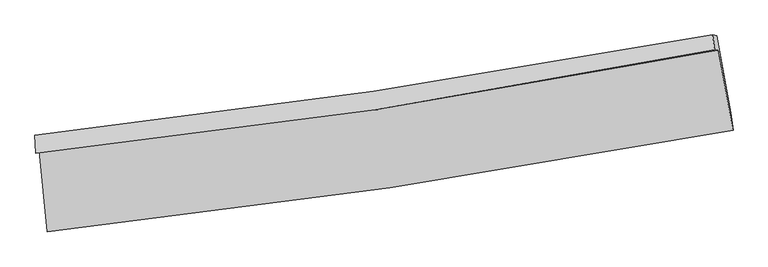
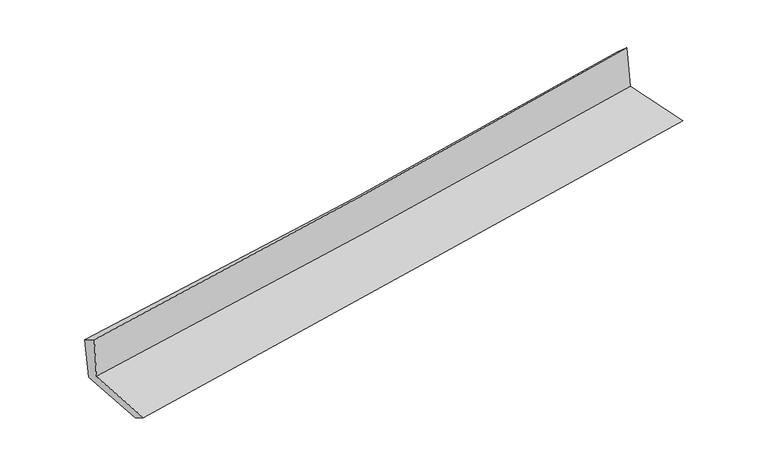
"""IFC4 building model written with IfcOpenShell, lengths in millimetres: proxy geometry."""

from ifc_helpers import new_model, si_unit, frame, origin, place, context, project, spatial, source, transform, mapped, element, save
from ifc_brep_helpers import plane_surface, spline_curve, spline_surface, advanced_brep


def generic_models_60ab2520(model_context):
    return source(origin(), model_context, "Body", "AdvancedBrep", [
        advanced_brep(
        [(-2840.4416928, -1891.3927807, 1634.5334448), (-2773.609349, -2561.1244569, 1597.5117106), (2916.3132555, -1719.4814165, 2122.248804), (2794.4726534, -1053.7975171, 2112.6780662), (-2869.7512124, -1909.1021098, 2030.9928528), (2762.1543839, -1052.8132689, 2519.2145777), (-2877.0304321, -1760.9571042, 1943.2122216), (2748.0944799, -928.4100352, 2407.2472464), (-2845.2979351, -1776.43845, 1556.2888708), (2778.7463741, -933.4492799, 2031.2376285), (-2779.7413712, -2433.3854453, 1519.9738539), (2897.6368553, -1573.1954788, 2017.6997314)],
        [
            (0, 1),
            (1, 2, spline_curve(3, [(-2773.609349, -2561.1244569, 1597.5117106), (-1825.236983511, -2457.836344717, 1719.022092733), (-877.918444089, -2336.247593926, 1823.447571182), (1018.731622324, -2055.859645803, 1998.509056488), (1968.053950841, -1896.900716788, 2068.995942866), (2916.3132555, -1719.4814165, 2122.248804)], [4, 2, 4], [0.0, 9.409074413895633, 18.859121928401212])),
            (2, 3),
            (3, 0, spline_curve(3, [(2794.4726534, -1053.7975171, 2112.6780662), (1857.287762087, -1232.109066304, 2053.334800329), (918.094571738, -1391.17436822, 1983.708923152), (-960.227587692, -1670.206257467, 1824.238410359), (-1899.339179343, -1790.339376381, 1734.482746927), (-2840.4416928, -1891.3927807, 1634.5334448)], [4, 2, 4], [0.0, 9.45004751450558, 18.859121928401212])),
            (4, 0),
            (3, 5),
            (5, 4, spline_curve(3, [(2762.1543839, -1052.8132689, 2519.2145777), (1826.380013316, -1240.729674352, 2461.526709543), (888.142370499, -1406.151545597, 2391.883321961), (-989.180808825, -1691.386520341, 2229.039298997), (-1928.245031642, -1811.394263073, 2135.942111957), (-2869.7512124, -1909.1021098, 2030.9928528)], [4, 2, 4], [0.0, 9.40236897560447, 18.763971573112116])),
            (6, 4),
            (5, 7),
            (7, 6, spline_curve(3, [(2748.0944799, -928.4100352, 2407.2472464), (1813.122101636, -1099.928604366, 2333.081475722), (875.852099255, -1255.182282619, 2257.241361997), (-999.209419039, -1532.557236905, 2102.548532976), (-1936.981053493, -1654.819248104, 2023.710304989), (-2877.0304321, -1760.9571042, 1943.2122216)], [4, 2, 4], [0.0, 9.392025606851112, 18.74332968192897])),
            (8, 6),
            (7, 9),
            (9, 8, spline_curve(3, [(2778.7463741, -933.4492799, 2031.2376285), (1845.114597386, -1110.253798637, 1948.53704043), (908.603881289, -1269.018670109, 1867.525355487), (-966.102465913, -1549.858968449, 1709.223716343), (-1904.273185997, -1672.09048697, 1631.919148632), (-2845.2979351, -1776.43845, 1556.2888708)], [4, 2, 4], [0.0, 9.382348975435459, 18.724018374610793])),
            (10, 8),
            (9, 11),
            (11, 10, spline_curve(3, [(2897.6368553, -1573.1954788, 2017.6997314), (1952.867611553, -1746.690893669, 1943.983617277), (1006.336434286, -1905.244442974, 1865.548059559), (-886.138220101, -2191.845144003, 1699.598597838), (-1832.066451458, -2320.021583769, 1612.125529628), (-2779.7413712, -2433.3854453, 1519.9738539)], [4, 2, 4], [0.0, 9.430210527736175, 18.81953396319765])),
            (1, 10),
            (11, 2),
        ],
        [
            spline_surface(3, 3, [[(-2840.4416928, -1891.3927807, 1634.5334448), (-1899.339179229, -1790.339376374, 1734.482746932), (-960.227587625, -1670.20625732, 1824.238410277), (918.094571671, -1391.174368367, 1983.708923234), (1857.28776215, -1232.109066242, 2053.334800349), (2794.4726534, -1053.7975171, 2112.6780662)], [(-2818.164244862, -2114.636672769, 1622.192866713), (-1874.638447309, -2012.838365872, 1729.329195522), (-932.791206388, -1892.220036141, 1823.974797193), (951.640255208, -1612.736127567, 1988.642301021), (1894.209825071, -1453.706283151, 2058.555181151), (2835.086187436, -1275.692150263, 2115.868312136)], [(-2795.886796938, -2337.880564831, 1609.852288687), (-1849.937715404, -2235.337355364, 1724.175644172), (-905.354825218, -2114.233814952, 1823.711184134), (985.185938679, -1834.297886757, 1993.575678833), (1931.131887982, -1675.30349997, 2063.775561944), (2875.699721464, -1497.586783337, 2119.058558064)], [(-2773.609349, -2561.1244569, 1597.5117106), (-1825.236983484, -2457.836344862, 1719.022092762), (-877.918443982, -2336.247593772, 1823.44757105), (1018.731622217, -2055.859645958, 1998.50905662), (1968.053950902, -1896.900716879, 2068.995942746), (2916.3132555, -1719.4814165, 2122.248804)]], [4, 4], [4, 2, 4], [0.0, 2.2036124032601587], [0.0, 9.409074413895633, 18.859121928401212]),
            spline_surface(3, 3, [[(-2869.7512124, -1909.1021098, 2030.9928528), (-1928.245031685, -1811.394262988, 2135.942112076), (-989.180808866, -1691.386520396, 2229.039299151), (888.14237054, -1406.151545542, 2391.883321806), (1826.380013181, -1240.729674459, 2461.526709693), (2762.1543839, -1052.8132689, 2519.2145777)], [(-2859.981372543, -1903.199000102, 1898.839716814), (-1918.609747542, -1804.375967453, 2002.122323708), (-979.52973512, -1684.326432704, 2094.105669556), (898.126437582, -1401.15915315, 2255.825188978), (1836.682596166, -1237.856138358, 2325.462739927), (2772.927140396, -1053.141351604, 2383.702407215)], [(-2850.211532657, -1897.295890398, 1766.686580786), (-1908.974463372, -1797.35767191, 1868.302535299), (-969.87866137, -1677.266345012, 1959.172039873), (908.110504629, -1396.166760759, 2119.767056062), (1846.985179165, -1234.982602344, 2189.398770115), (2783.699896904, -1053.469434396, 2248.190236685)], [(-2840.4416928, -1891.3927807, 1634.5334448), (-1899.339179229, -1790.339376374, 1734.482746932), (-960.227587625, -1670.20625732, 1824.238410277), (918.094571671, -1391.174368367, 1983.708923234), (1857.28776215, -1232.109066242, 2053.334800349), (2794.4726534, -1053.7975171, 2112.6780662)]], [4, 4], [4, 2, 4], [0.0, 1.3384543547618115], [0.0, 9.361602597507646, 18.763971573112116]),
            spline_surface(3, 3, [[(-2877.0304321, -1760.9571042, 1943.2122216), (-1936.981053631, -1654.819248128, 2023.710304927), (-999.209418902, -1532.557236887, 2102.548532882), (875.852099118, -1255.182282636, 2257.241362091), (1813.122101719, -1099.92860425, 2333.081475736), (2748.0944799, -928.4100352, 2407.2472464)], [(-2874.60402552, -1810.338772715, 1972.472432005), (-1934.069046302, -1707.010919729, 2061.120907315), (-995.866548888, -1585.500331365, 2144.712121616), (879.94885626, -1305.505370246, 2302.122015307), (1817.541405538, -1146.862294342, 2375.896553728), (2752.781114565, -969.877779789, 2444.569690173)], [(-2872.17761898, -1859.720441285, 2001.732642395), (-1931.157039014, -1759.202591387, 2098.531509689), (-992.52367888, -1638.443425918, 2186.875710417), (884.045613398, -1355.828457932, 2347.002668591), (1821.960709362, -1193.795984366, 2418.711631702), (2757.467749235, -1011.345524311, 2481.892133927)], [(-2869.7512124, -1909.1021098, 2030.9928528), (-1928.245031685, -1811.394262988, 2135.942112076), (-989.180808866, -1691.386520396, 2229.039299151), (888.14237054, -1406.151545542, 2391.883321806), (1826.380013181, -1240.729674459, 2461.526709693), (2762.1543839, -1052.8132689, 2519.2145777)]], [4, 4], [4, 2, 4], [0.0, 0.6656570470238381], [0.0, 9.351304075077858, 18.74332968192897]),
            spline_surface(3, 3, [[(-2845.2979351, -1776.43845, 1556.2888708), (-1904.273185981, -1672.090486869, 1631.919148779), (-966.102465834, -1549.858968359, 1709.223716421), (908.603881209, -1269.0186702, 1867.525355408), (1845.114597452, -1110.25379872, 1948.5370403), (2778.7463741, -933.4492799, 2031.2376285)], [(-2855.8754341, -1771.278001397, 1685.263321067), (-1915.175808532, -1666.333407285, 1762.516200829), (-977.138116881, -1544.091724547, 1840.331988586), (897.686620488, -1264.406541024, 1997.430690981), (1834.450432205, -1106.812067228, 2076.718518764), (2768.52907603, -931.769531665, 2156.574167785)], [(-2866.4529331, -1766.117552803, 1814.237771333), (-1926.078431081, -1660.576327711, 1893.113252877), (-988.173767855, -1538.324480699, 1971.440260717), (886.76935984, -1259.794411812, 2127.336026519), (1823.786266967, -1103.370335742, 2204.899997272), (2758.31177797, -930.089783435, 2281.910707115)], [(-2877.0304321, -1760.9571042, 1943.2122216), (-1936.981053631, -1654.819248128, 2023.710304927), (-999.209418902, -1532.557236887, 2102.548532882), (875.852099118, -1255.182282636, 2257.241362091), (1813.122101719, -1099.92860425, 2333.081475736), (2748.0944799, -928.4100352, 2407.2472464)]], [4, 4], [4, 2, 4], [0.0, 1.2900357111969618], [0.0, 9.341669399175334, 18.724018374610793]),
            spline_surface(3, 3, [[(-2779.7413712, -2433.3854453, 1519.9738539), (-1832.066451568, -2320.021583752, 1612.12552949), (-886.138220073, -2191.845144074, 1699.598597792), (1006.336434258, -1905.244442903, 1865.548059605), (1952.867611614, -1746.690893786, 1943.983617156), (2897.6368553, -1573.1954788, 2017.6997314)], [(-2801.593559182, -2214.403113534, 1532.078859505), (-1856.135363054, -2104.044551459, 1618.723402558), (-912.792968651, -1977.849752185, 1702.806970653), (973.758916584, -1693.169185352, 1866.207158191), (1916.949940226, -1534.545195429, 1945.501424868), (2858.006694899, -1359.946745832, 2022.212363764)], [(-2823.445747118, -1995.420781766, 1544.183865195), (-1880.204274495, -1888.067519162, 1625.321275711), (-939.447717256, -1763.854360247, 1706.01534356), (941.181398883, -1481.093927751, 1866.866256823), (1881.032268841, -1322.399497077, 1947.019232588), (2818.376534501, -1146.698012868, 2026.724996136)], [(-2845.2979351, -1776.43845, 1556.2888708), (-1904.273185981, -1672.090486869, 1631.919148779), (-966.102465834, -1549.858968359, 1709.223716421), (908.603881209, -1269.0186702, 1867.525355408), (1845.114597452, -1110.25379872, 1948.5370403), (2778.7463741, -933.4492799, 2031.2376285)]], [4, 4], [4, 2, 4], [0.0, 2.117031364919033], [0.0, 9.389323435461474, 18.81953396319765]),
            spline_surface(3, 3, [[(-2773.609349, -2561.1244569, 1597.5117106), (-1825.236983484, -2457.836344862, 1719.022092762), (-877.918443982, -2336.247593772, 1823.44757105), (1018.731622217, -2055.859645958, 1998.50905662), (1968.053950902, -1896.900716879, 2068.995942746), (2916.3132555, -1719.4814165, 2122.248804)], [(-2775.653356394, -2518.544786383, 1571.665758396), (-1827.513472839, -2411.898091175, 1683.389905034), (-880.658369352, -2288.113443867, 1782.16457997), (1014.59989289, -2005.654578267, 1954.188724287), (1962.991837813, -1846.830775828, 2027.325167543), (2910.087788774, -1670.719437247, 2087.399113127)], [(-2777.697363806, -2475.965115817, 1545.819806104), (-1829.789962213, -2365.959837439, 1647.757717218), (-883.398294702, -2239.979293979, 1740.881588872), (1010.468163585, -1955.449510594, 1909.868391938), (1957.929724703, -1796.760834837, 1985.654392359), (2903.862322026, -1621.957458053, 2052.549422273)], [(-2779.7413712, -2433.3854453, 1519.9738539), (-1832.066451568, -2320.021583752, 1612.12552949), (-886.138220073, -2191.845144074, 1699.598597792), (1006.336434258, -1905.244442903, 1865.548059605), (1952.867611614, -1746.690893786, 1943.983617156), (2897.6368553, -1573.1954788, 2017.6997314)]], [4, 4], [4, 2, 4], [0.0, 0.6425936154752641], [0.0, 9.446553235214944, 18.934242777690045]),
            plane_surface(frame((2816.2363337, -1210.1911661, 2201.721009), z_axis=(0.9805021474480327, 0.18057638804749893, 0.07750939897532118), x_axis=(-0.08124214492502671, 0.01335640289984562, 0.9966048968320184))),
            plane_surface(frame((-2830.9786654, -2055.4000578, 1713.7521591), z_axis=(-0.9924718230808497, -0.09474867073863923, -0.0776039289200986), x_axis=(-0.0991466838316935, 0.9935559784853528, 0.054922242317584316))),
        ],
        [
            (0, [[1, 2, 3, 4]]),
            (1, [[5, -4, 6, 7]]),
            (2, [[8, -7, 9, 10]]),
            (3, [[11, -10, 12, 13]]),
            (4, [[14, -13, 15, 16]]),
            (5, [[17, -16, 18, -2]]),
            (6, [[-12, -9, -6, -3, -18, -15]]),
            (7, [[-1, -5, -8, -11, -14, -17]]),
        ],
    ),
    ])


if __name__ == "__main__":
    model = new_model("IFC4")
    model_context = context("Model", 3, world=origin())
    ifc_project = project(units=[si_unit("LENGTHUNIT", "METRE", prefix="MILLI")], contexts=[model_context])
    site = spatial("IfcSite", under=ifc_project)
    building = spatial("IfcBuilding", under=site)
    placement = place(None, origin())
    generic_models_shape = generic_models_60ab2520(model_context)
    element("IfcBuildingElementProxy", 1, Name="Generic Models", at=placement, inside=building, context=model_context, shape_type="MappedRepresentation", body=[
        mapped(generic_models_shape, transform((0.0, 0.0, 0.0), x_axis=(1.0, 0.0, 0.0), y_axis=(0.0, 1.0, 0.0), z_axis=(0.0, 0.0, 1.0))),
    ])
    save(model, "model.ifc")
